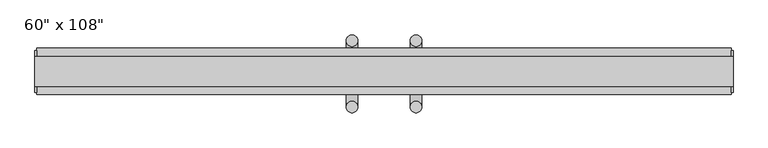
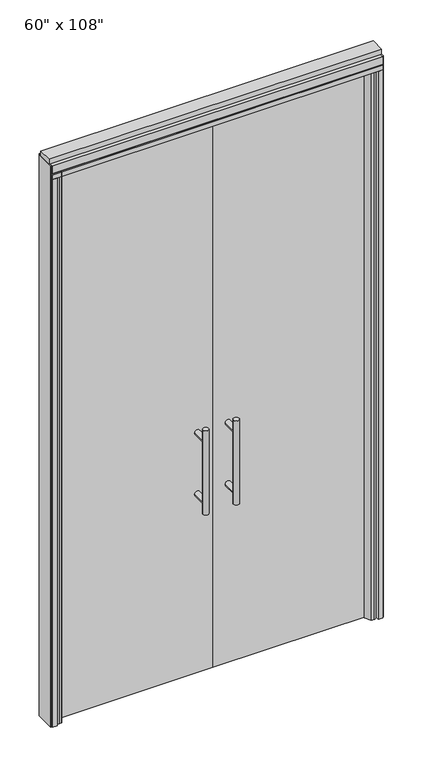
"""IFC4 building model written with IfcOpenShell, lengths in millimetres: furniture geometry."""

from ifc_helpers import new_model, si_unit, point, frame, frame_2d, origin, origin_with_axes, place, context, project, spatial, polyline, circle_curve, ellipse_curve, trimmed, segment, composite_curve, outline, extrude, source, transform, mapped, element, save
from ifc_brep_helpers import plane_surface, cylinder_surface, advanced_brep


def furniture_ffa19e71(model_context):
    return source(origin(), model_context, "Body", "SolidModel", [
        extrude(outline(polyline([(-795.8745229, -14.6777216), (-795.8745229, -4.5177216), (-60.0365229, -4.5177216), (-60.0365229, -14.6777216), (-795.8745229, -14.6777216)])), origin_with_axes(), (0.0, 0.0, 1.0), 2654.3),
        advanced_brep(
        [(-117.3135229, 63.0462784, 1219.2), (-142.7135229, 63.0462784, 1219.2), (-117.3135229, 63.0462784, 812.8), (-142.7135229, 63.0462784, 812.8), (-117.3135229, 63.0462784, 1164.336), (-117.3135229, 63.0462784, 867.664), (-142.7135229, 63.0462784, 867.664), (-142.7135229, 63.0462784, 1164.336), (-117.3135229, -4.5177216, 1164.336), (-142.7135229, -4.5177216, 1164.336), (-117.3135229, -4.5177216, 867.664), (-142.7135229, -4.5177216, 867.664)],
        [
            (0, 1, circle_curve(frame((-130.0135229, 63.0462784, 1219.2), z_axis=(0.0, 0.0, 1.0), x_axis=(-1.0, 0.0, 0.0)), 12.7)),
            (1, 0, circle_curve(frame((-130.0135229, 63.0462784, 1219.2), z_axis=(0.0, 0.0, 1.0), x_axis=(-1.0, 0.0, 0.0)), 12.7)),
            (2, 3, circle_curve(frame((-130.0135229, 63.0462784, 812.8), z_axis=(0.0, 0.0, -1.0), x_axis=(-1.0, 0.0, 0.0)), 12.7)),
            (3, 2, circle_curve(frame((-130.0135229, 63.0462784, 812.8), z_axis=(0.0, 0.0, -1.0), x_axis=(-1.0, 0.0, 0.0)), 12.7)),
            (0, 4),
            (4, 5),
            (5, 2),
            (3, 6),
            (6, 7),
            (7, 1),
            (7, 4, ellipse_curve(frame((-130.0135229, 63.0462784, 1164.336), z_axis=(0.0, 0.707106781186565, 0.70710678118653), x_axis=(0.0, -0.70710678118653, 0.707106781186565)), 17.9605122, 12.7)),
            (5, 6, ellipse_curve(frame((-130.0135229, 63.0462784, 867.664), z_axis=(0.0, 0.70710678118653, -0.7071067811865649), x_axis=(0.0, 0.7071067811865648, 0.7071067811865301)), 17.9605122, 12.7)),
            (4, 7, ellipse_curve(frame((-130.0135229, 63.0462784, 1164.336), z_axis=(0.0, 0.70710678118653, -0.7071067811865649), x_axis=(0.0, 0.7071067811865648, 0.7071067811865301)), 17.9605122, 12.7)),
            (6, 5, ellipse_curve(frame((-130.0135229, 63.0462784, 867.664), z_axis=(0.0, 0.707106781186565, 0.70710678118653), x_axis=(0.0, -0.70710678118653, 0.707106781186565)), 17.9605122, 12.7)),
            (8, 9, circle_curve(frame((-130.0135229, -4.5177216, 1164.336), z_axis=(0.0, -1.0, 0.0), x_axis=(-1.0, 0.0, 0.0)), 12.7)),
            (9, 8, circle_curve(frame((-130.0135229, -4.5177216, 1164.336), z_axis=(0.0, -1.0, 0.0), x_axis=(-1.0, 0.0, 0.0)), 12.7)),
            (9, 7),
            (4, 8),
            (10, 11, circle_curve(frame((-130.0135229, -4.5177216, 867.664), z_axis=(0.0, -1.0, 0.0), x_axis=(-1.0, 0.0, 0.0)), 12.7)),
            (11, 10, circle_curve(frame((-130.0135229, -4.5177216, 867.664), z_axis=(0.0, -1.0, 0.0), x_axis=(-1.0, 0.0, 0.0)), 12.7)),
            (11, 6),
            (5, 10),
        ],
        [
            plane_surface(frame((-142.7135229, 63.0462784, 1219.2), z_axis=(0.0, 0.0, 1.0), x_axis=(0.0, -1.0, 0.0))),
            plane_surface(frame((-142.7135229, 63.0462784, 812.8), z_axis=(0.0, 0.0, -1.0), x_axis=(0.0, 1.0, 0.0))),
            cylinder_surface(frame((-130.0135229, 63.0462784, 812.8), z_axis=(0.0, 0.0, 1.0), x_axis=(-1.0, 0.0, 0.0)), 12.7),
            plane_surface(frame((-142.7135229, -4.5177216, 1164.336), z_axis=(0.0, -1.0, 0.0), x_axis=(0.0, 0.0, -1.0))),
            cylinder_surface(frame((-130.0135229, -4.5177216, 1164.336), z_axis=(0.0, 1.0, 0.0), x_axis=(-1.0, 0.0, 0.0)), 12.7),
            plane_surface(frame((-142.7135229, -4.5177216, 867.664), z_axis=(0.0, -1.0, 0.0), x_axis=(0.0, 0.0, -1.0))),
            cylinder_surface(frame((-130.0135229, -4.5177216, 867.664), z_axis=(0.0, 1.0, 0.0), x_axis=(-1.0, 0.0, 0.0)), 12.7),
        ],
        [
            (0, [[1, 2]]),
            (1, [[3, 4]]),
            (2, [[-1, 5, 6, 7, -4, 8, 9, 10]]),
            (2, [[-2, -10, 11, -5]]),
            (2, [[-3, -7, 12, -8]]),
            (2, [[13, -9, 14, -6]]),
            (3, [[15, 16]]),
            (4, [[-16, 17, -13, 18]]),
            (4, [[-15, -18, -11, -17]]),
            (5, [[19, 20]]),
            (6, [[-20, 21, -12, 22]]),
            (6, [[-19, -22, -14, -21]]),
        ],
    ),
        advanced_brep(
        [(-117.3135229, -82.2417216, 1219.2), (-142.7135229, -82.2417216, 1219.2), (-117.3135229, -82.2417216, 812.8), (-142.7135229, -82.2417216, 812.8), (-142.7135229, -82.2417216, 1164.336), (-142.7135229, -82.2417216, 867.664), (-117.3135229, -82.2417216, 867.664), (-117.3135229, -82.2417216, 1164.336), (-117.3135229, -14.6777216, 1164.336), (-142.7135229, -14.6777216, 1164.336), (-117.3135229, -14.6777216, 867.664), (-142.7135229, -14.6777216, 867.664)],
        [
            (0, 1, circle_curve(frame((-130.0135229, -82.2417216, 1219.2), z_axis=(0.0, 0.0, 1.0), x_axis=(-1.0, 0.0, 0.0)), 12.7)),
            (1, 0, circle_curve(frame((-130.0135229, -82.2417216, 1219.2), z_axis=(0.0, 0.0, 1.0), x_axis=(-1.0, 0.0, 0.0)), 12.7)),
            (2, 3, circle_curve(frame((-130.0135229, -82.2417216, 812.8), z_axis=(0.0, 0.0, -1.0), x_axis=(-1.0, 0.0, 0.0)), 12.7)),
            (3, 2, circle_curve(frame((-130.0135229, -82.2417216, 812.8), z_axis=(0.0, 0.0, -1.0), x_axis=(-1.0, 0.0, 0.0)), 12.7)),
            (1, 4),
            (4, 5),
            (5, 3),
            (2, 6),
            (6, 7),
            (7, 0),
            (6, 5, ellipse_curve(frame((-130.0135229, -82.2417216, 867.664), z_axis=(0.0, -0.707106781186565, 0.70710678118653), x_axis=(0.0, 0.70710678118653, 0.707106781186565)), 17.9605122, 12.7)),
            (4, 7, ellipse_curve(frame((-130.0135229, -82.2417216, 1164.336), z_axis=(0.0, -0.70710678118653, -0.7071067811865649), x_axis=(0.0, -0.7071067811865648, 0.7071067811865301)), 17.9605122, 12.7)),
            (7, 4, ellipse_curve(frame((-130.0135229, -82.2417216, 1164.336), z_axis=(0.0, -0.707106781186565, 0.70710678118653), x_axis=(0.0, 0.70710678118653, 0.707106781186565)), 17.9605122, 12.7)),
            (5, 6, ellipse_curve(frame((-130.0135229, -82.2417216, 867.664), z_axis=(0.0, -0.70710678118653, -0.7071067811865649), x_axis=(0.0, -0.7071067811865648, 0.7071067811865301)), 17.9605122, 12.7)),
            (8, 9, circle_curve(frame((-130.0135229, -14.6777216, 1164.336), z_axis=(0.0, 1.0, 0.0), x_axis=(-1.0, 0.0, 0.0)), 12.7)),
            (9, 8, circle_curve(frame((-130.0135229, -14.6777216, 1164.336), z_axis=(0.0, 1.0, 0.0), x_axis=(-1.0, 0.0, 0.0)), 12.7)),
            (8, 7),
            (4, 9),
            (10, 11, circle_curve(frame((-130.0135229, -14.6777216, 867.664), z_axis=(0.0, 1.0, 0.0), x_axis=(-1.0, 0.0, 0.0)), 12.7)),
            (11, 10, circle_curve(frame((-130.0135229, -14.6777216, 867.664), z_axis=(0.0, 1.0, 0.0), x_axis=(-1.0, 0.0, 0.0)), 12.7)),
            (10, 6),
            (5, 11),
        ],
        [
            plane_surface(frame((-142.7135229, -82.2417216, 1219.2), z_axis=(0.0, 0.0, 1.0), x_axis=(0.0, 1.0, 0.0))),
            plane_surface(frame((-142.7135229, -82.2417216, 812.8), z_axis=(0.0, 0.0, -1.0), x_axis=(0.0, -1.0, 0.0))),
            cylinder_surface(frame((-130.0135229, -82.2417216, 812.8), z_axis=(0.0, 0.0, 1.0), x_axis=(-1.0, 0.0, 0.0)), 12.7),
            plane_surface(frame((-142.7135229, -14.6777216, 1164.336), z_axis=(0.0, 1.0, 0.0), x_axis=(0.0, 0.0, -1.0))),
            cylinder_surface(frame((-130.0135229, -14.6777216, 1164.336), z_axis=(0.0, -1.0, 0.0), x_axis=(-1.0, 0.0, 0.0)), 12.7),
            plane_surface(frame((-142.7135229, -14.6777216, 867.664), z_axis=(0.0, 1.0, 0.0), x_axis=(0.0, 0.0, -1.0))),
            cylinder_surface(frame((-130.0135229, -14.6777216, 867.664), z_axis=(0.0, -1.0, 0.0), x_axis=(-1.0, 0.0, 0.0)), 12.7),
        ],
        [
            (0, [[1, 2]]),
            (1, [[3, 4]]),
            (2, [[5, 6, 7, -3, 8, 9, 10, -2]]),
            (2, [[-9, 11, -6, 12]]),
            (2, [[-10, 13, -5, -1]]),
            (2, [[-7, 14, -8, -4]]),
            (3, [[15, 16]]),
            (4, [[17, -12, 18, -15]]),
            (4, [[-18, -13, -17, -16]]),
            (5, [[19, 20]]),
            (6, [[21, -14, 22, -19]]),
            (6, [[-22, -11, -21, -20]]),
        ],
    ),
        extrude(outline(polyline([(-782.5395229, 4.6262784), (-753.8375229, 4.6262784), (-753.8375229, -4.5177216), (-782.5395229, -4.5177216), (-782.5395229, 4.6262784)])), origin_with_axes(), (0.0, 0.0, 1.0), 2654.3),
        extrude(outline(composite_curve([segment(polyline([(-753.8375229, -14.6777216), (-753.8375229, -20.2657216), (-769.8525186, -47.99736), (-782.0979561, -47.99736)]), True, "CONTINUOUS"), segment(trimmed(circle_curve(frame_2d((-778.7565751, -30.8880433)), 17.4325427), [point((-782.0979561, -47.99736))], [point((-795.8745229, -34.1849216))], False, "CARTESIAN"), True, "CONTINUOUS"), segment(polyline([(-795.8745229, -34.1849216), (-795.8745229, -14.6777216), (-753.8375229, -14.6777216)]), True, "CONTINUOUS")], self_intersect=False)), origin_with_axes(), (0.0, 0.0, 1.0), 2654.3),
        extrude(outline(polyline([(675.8014771, -14.6777216), (-60.0365229, -14.6777216), (-60.0365229, -4.5177216), (675.8014771, -4.5177216), (675.8014771, -14.6777216)])), origin_with_axes(), (0.0, 0.0, 1.0), 2654.3),
        advanced_brep(
        [(-2.7595229, 63.0462784, 1219.2), (22.6404771, 63.0462784, 1219.2), (-2.7595229, 63.0462784, 812.8), (22.6404771, 63.0462784, 812.8), (22.6404771, 63.0462784, 1164.336), (22.6404771, 63.0462784, 867.664), (-2.7595229, 63.0462784, 867.664), (-2.7595229, 63.0462784, 1164.336), (-2.7595229, -4.5177216, 1164.336), (22.6404771, -4.5177216, 1164.336), (-2.7595229, -4.5177216, 867.664), (22.6404771, -4.5177216, 867.664)],
        [
            (0, 1, circle_curve(frame((9.9404771, 63.0462784, 1219.2), z_axis=(0.0, 0.0, 1.0), x_axis=(1.0, 0.0, 0.0)), 12.7)),
            (1, 0, circle_curve(frame((9.9404771, 63.0462784, 1219.2), z_axis=(0.0, 0.0, 1.0), x_axis=(1.0, 0.0, 0.0)), 12.7)),
            (2, 3, circle_curve(frame((9.9404771, 63.0462784, 812.8), z_axis=(0.0, 0.0, -1.0), x_axis=(1.0, 0.0, 0.0)), 12.7)),
            (3, 2, circle_curve(frame((9.9404771, 63.0462784, 812.8), z_axis=(0.0, 0.0, -1.0), x_axis=(1.0, 0.0, 0.0)), 12.7)),
            (1, 4),
            (4, 5),
            (5, 3),
            (2, 6),
            (6, 7),
            (7, 0),
            (6, 5, ellipse_curve(frame((9.9404771, 63.0462784, 867.664), z_axis=(0.0, 0.707106781186565, 0.70710678118653), x_axis=(0.0, -0.70710678118653, 0.707106781186565)), 17.9605122, 12.7)),
            (4, 7, ellipse_curve(frame((9.9404771, 63.0462784, 1164.336), z_axis=(0.0, 0.70710678118653, -0.7071067811865649), x_axis=(0.0, 0.7071067811865648, 0.7071067811865301)), 17.9605122, 12.7)),
            (7, 4, ellipse_curve(frame((9.9404771, 63.0462784, 1164.336), z_axis=(0.0, 0.707106781186565, 0.70710678118653), x_axis=(0.0, -0.70710678118653, 0.707106781186565)), 17.9605122, 12.7)),
            (5, 6, ellipse_curve(frame((9.9404771, 63.0462784, 867.664), z_axis=(0.0, 0.70710678118653, -0.7071067811865649), x_axis=(0.0, 0.7071067811865648, 0.7071067811865301)), 17.9605122, 12.7)),
            (8, 9, circle_curve(frame((9.9404771, -4.5177216, 1164.336), z_axis=(0.0, -1.0, 0.0), x_axis=(1.0, 0.0, 0.0)), 12.7)),
            (9, 8, circle_curve(frame((9.9404771, -4.5177216, 1164.336), z_axis=(0.0, -1.0, 0.0), x_axis=(1.0, 0.0, 0.0)), 12.7)),
            (8, 7),
            (4, 9),
            (10, 11, circle_curve(frame((9.9404771, -4.5177216, 867.664), z_axis=(0.0, -1.0, 0.0), x_axis=(1.0, 0.0, 0.0)), 12.7)),
            (11, 10, circle_curve(frame((9.9404771, -4.5177216, 867.664), z_axis=(0.0, -1.0, 0.0), x_axis=(1.0, 0.0, 0.0)), 12.7)),
            (10, 6),
            (5, 11),
        ],
        [
            plane_surface(frame((22.6404771, 63.0462784, 1219.2), z_axis=(0.0, 0.0, 1.0), x_axis=(0.0, -1.0, 0.0))),
            plane_surface(frame((22.6404771, 63.0462784, 812.8), z_axis=(0.0, 0.0, -1.0), x_axis=(0.0, 1.0, 0.0))),
            cylinder_surface(frame((9.9404771, 63.0462784, 812.8), z_axis=(0.0, 0.0, 1.0), x_axis=(1.0, 0.0, 0.0)), 12.7),
            plane_surface(frame((22.6404771, -4.5177216, 1164.336), z_axis=(0.0, -1.0, 0.0), x_axis=(0.0, 0.0, -1.0))),
            cylinder_surface(frame((9.9404771, -4.5177216, 1164.336), z_axis=(0.0, 1.0, 0.0), x_axis=(1.0, 0.0, 0.0)), 12.7),
            plane_surface(frame((22.6404771, -4.5177216, 867.664), z_axis=(0.0, -1.0, 0.0), x_axis=(0.0, 0.0, -1.0))),
            cylinder_surface(frame((9.9404771, -4.5177216, 867.664), z_axis=(0.0, 1.0, 0.0), x_axis=(1.0, 0.0, 0.0)), 12.7),
        ],
        [
            (0, [[1, 2]]),
            (1, [[3, 4]]),
            (2, [[5, 6, 7, -3, 8, 9, 10, -2]]),
            (2, [[-9, 11, -6, 12]]),
            (2, [[-10, 13, -5, -1]]),
            (2, [[-7, 14, -8, -4]]),
            (3, [[15, 16]]),
            (4, [[17, -12, 18, -15]]),
            (4, [[-18, -13, -17, -16]]),
            (5, [[19, 20]]),
            (6, [[21, -14, 22, -19]]),
            (6, [[-22, -11, -21, -20]]),
        ],
    ),
        advanced_brep(
        [(-2.7595229, -82.2417216, 1219.2), (22.6404771, -82.2417216, 1219.2), (-2.7595229, -82.2417216, 812.8), (22.6404771, -82.2417216, 812.8), (-2.7595229, -82.2417216, 1164.336), (-2.7595229, -82.2417216, 867.664), (22.6404771, -82.2417216, 867.664), (22.6404771, -82.2417216, 1164.336), (-2.7595229, -14.6777216, 1164.336), (22.6404771, -14.6777216, 1164.336), (-2.7595229, -14.6777216, 867.664), (22.6404771, -14.6777216, 867.664)],
        [
            (0, 1, circle_curve(frame((9.9404771, -82.2417216, 1219.2), z_axis=(0.0, 0.0, 1.0), x_axis=(1.0, 0.0, 0.0)), 12.7)),
            (1, 0, circle_curve(frame((9.9404771, -82.2417216, 1219.2), z_axis=(0.0, 0.0, 1.0), x_axis=(1.0, 0.0, 0.0)), 12.7)),
            (2, 3, circle_curve(frame((9.9404771, -82.2417216, 812.8), z_axis=(0.0, 0.0, -1.0), x_axis=(1.0, 0.0, 0.0)), 12.7)),
            (3, 2, circle_curve(frame((9.9404771, -82.2417216, 812.8), z_axis=(0.0, 0.0, -1.0), x_axis=(1.0, 0.0, 0.0)), 12.7)),
            (0, 4),
            (4, 5),
            (5, 2),
            (3, 6),
            (6, 7),
            (7, 1),
            (7, 4, ellipse_curve(frame((9.9404771, -82.2417216, 1164.336), z_axis=(0.0, -0.707106781186565, 0.70710678118653), x_axis=(0.0, 0.70710678118653, 0.707106781186565)), 17.9605122, 12.7)),
            (5, 6, ellipse_curve(frame((9.9404771, -82.2417216, 867.664), z_axis=(0.0, -0.70710678118653, -0.7071067811865649), x_axis=(0.0, -0.7071067811865648, 0.7071067811865301)), 17.9605122, 12.7)),
            (4, 7, ellipse_curve(frame((9.9404771, -82.2417216, 1164.336), z_axis=(0.0, -0.70710678118653, -0.7071067811865649), x_axis=(0.0, -0.7071067811865648, 0.7071067811865301)), 17.9605122, 12.7)),
            (6, 5, ellipse_curve(frame((9.9404771, -82.2417216, 867.664), z_axis=(0.0, -0.707106781186565, 0.70710678118653), x_axis=(0.0, 0.70710678118653, 0.707106781186565)), 17.9605122, 12.7)),
            (8, 9, circle_curve(frame((9.9404771, -14.6777216, 1164.336), z_axis=(0.0, 1.0, 0.0), x_axis=(1.0, 0.0, 0.0)), 12.7)),
            (9, 8, circle_curve(frame((9.9404771, -14.6777216, 1164.336), z_axis=(0.0, 1.0, 0.0), x_axis=(1.0, 0.0, 0.0)), 12.7)),
            (9, 7),
            (4, 8),
            (10, 11, circle_curve(frame((9.9404771, -14.6777216, 867.664), z_axis=(0.0, 1.0, 0.0), x_axis=(1.0, 0.0, 0.0)), 12.7)),
            (11, 10, circle_curve(frame((9.9404771, -14.6777216, 867.664), z_axis=(0.0, 1.0, 0.0), x_axis=(1.0, 0.0, 0.0)), 12.7)),
            (11, 6),
            (5, 10),
        ],
        [
            plane_surface(frame((22.6404771, -82.2417216, 1219.2), z_axis=(0.0, 0.0, 1.0), x_axis=(0.0, 1.0, 0.0))),
            plane_surface(frame((22.6404771, -82.2417216, 812.8), z_axis=(0.0, 0.0, -1.0), x_axis=(0.0, -1.0, 0.0))),
            cylinder_surface(frame((9.9404771, -82.2417216, 812.8), z_axis=(0.0, 0.0, 1.0), x_axis=(1.0, 0.0, 0.0)), 12.7),
            plane_surface(frame((22.6404771, -14.6777216, 1164.336), z_axis=(0.0, 1.0, 0.0), x_axis=(0.0, 0.0, -1.0))),
            cylinder_surface(frame((9.9404771, -14.6777216, 1164.336), z_axis=(0.0, -1.0, 0.0), x_axis=(1.0, 0.0, 0.0)), 12.7),
            plane_surface(frame((22.6404771, -14.6777216, 867.664), z_axis=(0.0, 1.0, 0.0), x_axis=(0.0, 0.0, -1.0))),
            cylinder_surface(frame((9.9404771, -14.6777216, 867.664), z_axis=(0.0, -1.0, 0.0), x_axis=(1.0, 0.0, 0.0)), 12.7),
        ],
        [
            (0, [[1, 2]]),
            (1, [[3, 4]]),
            (2, [[-1, 5, 6, 7, -4, 8, 9, 10]]),
            (2, [[-2, -10, 11, -5]]),
            (2, [[-3, -7, 12, -8]]),
            (2, [[13, -9, 14, -6]]),
            (3, [[15, 16]]),
            (4, [[-16, 17, -13, 18]]),
            (4, [[-15, -18, -11, -17]]),
            (5, [[19, 20]]),
            (6, [[-20, 21, -12, 22]]),
            (6, [[-19, -22, -14, -21]]),
        ],
    ),
        extrude(outline(polyline([(662.4664771, 4.6262784), (662.4664771, -4.5177216), (633.7644771, -4.5177216), (633.7644771, 4.6262784), (662.4664771, 4.6262784)])), origin_with_axes(), (0.0, 0.0, 1.0), 2654.3),
        extrude(outline(composite_curve([segment(polyline([(633.7644771, -14.6777216), (675.8014771, -14.6777216), (675.8014771, -34.1849216)]), True, "CONTINUOUS"), segment(trimmed(circle_curve(frame_2d((658.6835293, -30.8880433)), 17.4325427), [point((675.8014771, -34.1849216))], [point((662.0249103, -47.99736))], False, "CARTESIAN"), True, "CONTINUOUS"), segment(polyline([(662.0249103, -47.99736), (649.7794728, -47.99736), (633.7644771, -20.2657216), (633.7644771, -14.6777216)]), True, "CONTINUOUS")], self_intersect=False)), origin_with_axes(), (0.0, 0.0, 1.0), 2654.3),
        extrude(outline(polyline([(-818.0995229, -55.3177216), (-818.0995229, 46.2822784), (698.0264771, 46.2822784), (698.0264771, -55.3177216), (-818.0995229, -55.3177216)])), frame((0.0, 0.0, 2654.3), z_axis=(0.0, 0.0, 1.0), x_axis=(1.0, 0.0, 0.0)), (0.0, 0.0, 1.0), 22.225),
        extrude(outline(polyline([(701.9634771, -50.3647216), (698.0264771, -50.3647216), (698.0264771, 41.3292784), (701.9634771, 41.3292784), (701.9634771, -50.3647216)])), origin_with_axes(), (0.0, 0.0, 1.0), 2717.8),
        extrude(outline(polyline([(-822.0365229, -50.3647216), (-822.0365229, 41.3292784), (-818.0995229, 41.3292784), (-818.0995229, -50.3647216), (-822.0365229, -50.3647216)])), origin_with_axes(), (0.0, 0.0, 1.0), 2717.8),
        extrude(outline(polyline([(698.0264771, 46.2822784), (698.0264771, -55.3177216), (675.8014771, -55.3177216), (675.8014771, -4.5177216), (663.1014771, -4.5177216), (663.1014771, 20.8822784), (675.8014771, 20.8822784), (675.8014771, 46.2822784), (698.0264771, 46.2822784)])), origin_with_axes(), (0.0, 0.0, 1.0), 2654.3),
        extrude(outline(polyline([(-818.0995229, 46.2822784), (-795.8745229, 46.2822784), (-795.8745229, 20.8822784), (-783.1745229, 20.8822784), (-783.1745229, -4.5177216), (-795.8745229, -4.5177216), (-795.8745229, -55.3177216), (-818.0995229, -55.3177216), (-818.0995229, 46.2822784)])), origin_with_axes(), (0.0, 0.0, 1.0), 2654.3),
        extrude(outline(polyline([(-55.3177216, 2681.478), (-55.3177216, 2717.8), (46.2822784, 2717.8), (46.2822784, 2681.478), (41.3292784, 2681.478), (41.3292784, 2676.525), (-50.3647216, 2676.525), (-50.3647216, 2681.478), (-55.3177216, 2681.478)])), frame((-818.0995229, 0.0, 0.0), z_axis=(1.0, 0.0, 0.0), x_axis=(0.0, 1.0, 0.0)), (0.0, 0.0, 1.0), 1516.126),
        extrude(outline(polyline([(-822.0365229, -37.0297216), (-822.0365229, 27.9942784), (701.9634771, 27.9942784), (701.9634771, -37.0297216), (-822.0365229, -37.0297216)])), frame((0.0, 0.0, 2717.8), z_axis=(0.0, 0.0, 1.0), x_axis=(1.0, 0.0, 0.0)), (0.0, 0.0, 1.0), 25.4),
    ])


if __name__ == "__main__":
    model = new_model("IFC4")
    model_context = context("Model", 3, world=origin())
    ifc_project = project(units=[si_unit("LENGTHUNIT", "METRE", prefix="MILLI")], contexts=[model_context])
    site = spatial("IfcSite", under=ifc_project)
    building = spatial("IfcBuilding", under=site)
    placement = place(None, origin())
    furniture_shape = furniture_ffa19e71(model_context)
    element("IfcFurniture", 1, ObjectType="60\" x 108\"", at=placement, inside=building, context=model_context, shape_type="MappedRepresentation", body=[
        mapped(furniture_shape, transform((0.0, 0.0, 0.0), x_axis=(1.0, 0.0, 0.0), y_axis=(0.0, 1.0, 0.0), z_axis=(0.0, 0.0, 1.0))),
    ])
    save(model, "model.ifc")
